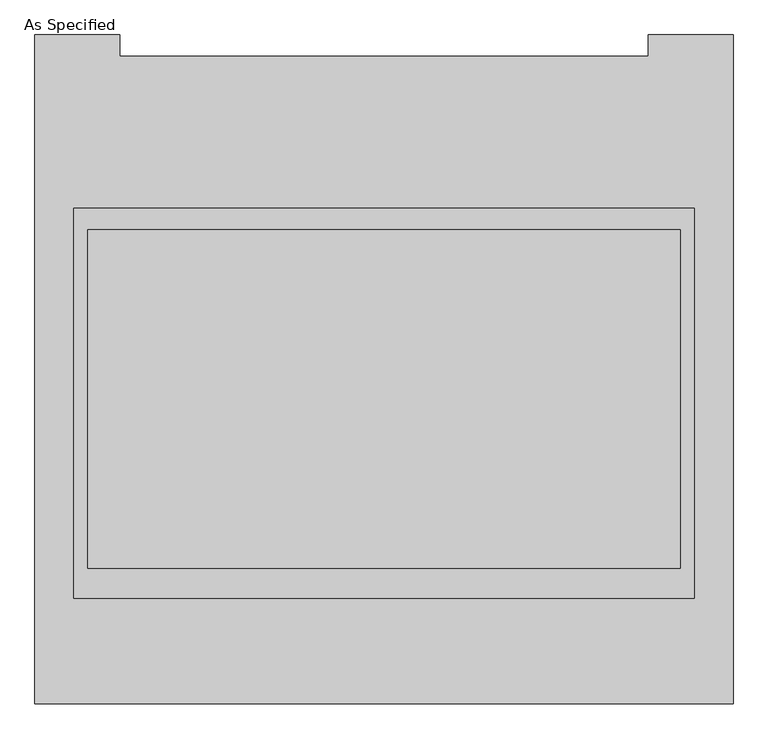
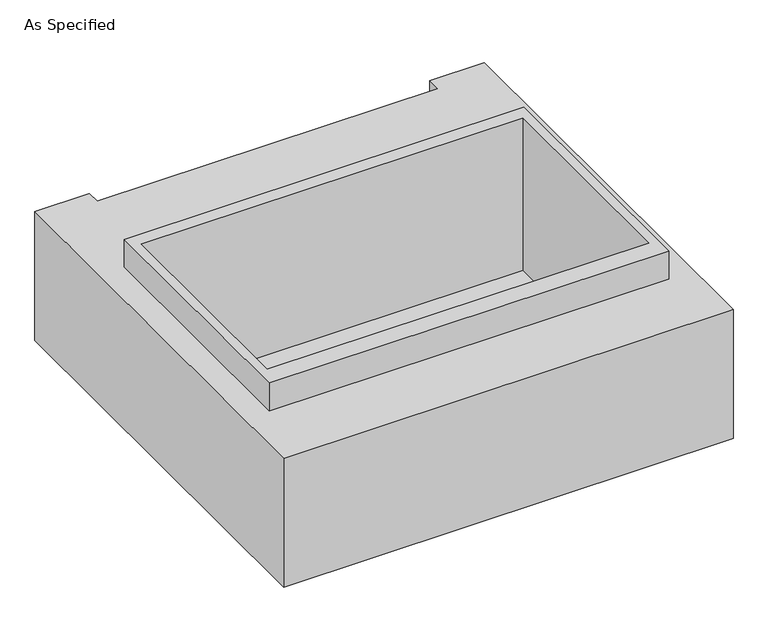
"""IFC4 building model written with IfcOpenShell, lengths in millimetres: proxy geometry, As Specified."""

from ifc_helpers import new_model, si_unit, origin, place, context, project, spatial, faceted_brep, source, transform, mapped, element, save


def as_specified_4a9b469e(model_context):
    return source(origin(), model_context, "Body", "Brep", [
        faceted_brep([(1117.6, 617.934375, 139.7), (-1117.6, 617.934375, 139.7), (-1117.6, -785.415625, 139.7), (1117.6, -785.415625, 139.7), (-1066.8, 541.7740625, 139.7), (1066.8, 541.7740625, 139.7), (1066.8, -677.4259375, 139.7), (-1066.8, -677.4259375, 139.7), (1117.6, 617.934375, -25.4), (-1117.6, 617.934375, -25.4), (-1117.6, -785.415625, -25.4), (1117.6, -785.415625, -25.4), (-1066.8, 541.7740625, -762.0), (1066.8, 541.7740625, -762.0), (1066.8, -677.4259375, -762.0), (-1066.8, -677.4259375, -762.0), (1257.3, -1166.415625, -787.4), (-1257.3, -1166.415625, -787.4), (-1257.3, 1242.774375, -787.4), (-952.5, 1242.774375, -787.4), (-952.5, 1166.415625, -787.4), (952.5, 1166.415625, -787.4), (952.5, 1242.774375, -787.4), (1257.3, 1242.774375, -787.4), (1257.3, 1242.774375, -25.4), (952.5, 1242.774375, -25.4), (952.5, 1166.415625, -25.4), (-952.5, 1166.415625, -25.4), (-952.5, 1242.774375, -25.4), (-1257.3, 1242.774375, -25.4), (-1257.3, -1166.415625, -25.4), (1257.3, -1166.415625, -25.4)], [[[0, 1, 2, 3], [4, 5, 6, 7]], [[1, 0, 8, 9]], [[2, 1, 9, 10]], [[3, 2, 10, 11]], [[0, 3, 11, 8]], [[5, 4, 12, 13]], [[6, 5, 13, 14]], [[7, 6, 14, 15]], [[4, 7, 15, 12]], [[13, 12, 15, 14]], [[16, 17, 18, 19, 20, 21, 22, 23]], [[24, 25, 26, 27, 28, 29, 30, 31], [9, 8, 11, 10]], [[20, 27, 26, 21]], [[16, 31, 30, 17]], [[16, 23, 24, 31]], [[29, 18, 17, 30]], [[19, 18, 29, 28]], [[20, 19, 28, 27]], [[23, 22, 25, 24]], [[22, 21, 26, 25]]]),
    ])


if __name__ == "__main__":
    model = new_model("IFC4")
    model_context = context("Model", 3, world=origin())
    ifc_project = project(units=[si_unit("LENGTHUNIT", "METRE", prefix="MILLI")], contexts=[model_context])
    site = spatial("IfcSite", under=ifc_project)
    building = spatial("IfcBuilding", under=site)
    placement = place(None, origin())
    as_specified_shape = as_specified_4a9b469e(model_context)
    element("IfcBuildingElementProxy", 1, Name="As Specified", ObjectType="As Specified", at=placement, inside=building, context=model_context, shape_type="MappedRepresentation", body=[
        mapped(as_specified_shape, transform((0.0, 0.0, 0.0), x_axis=(1.0, 0.0, 0.0), y_axis=(0.0, 1.0, 0.0), z_axis=(0.0, 0.0, 1.0))),
    ])
    save(model, "model.ifc")
